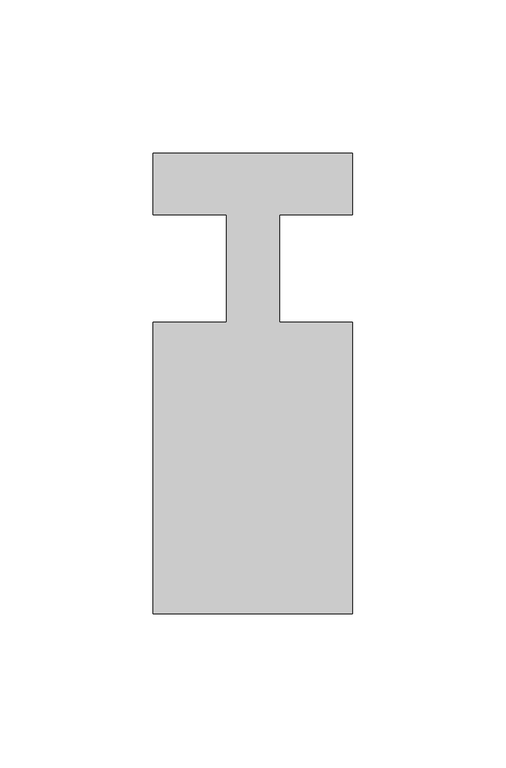
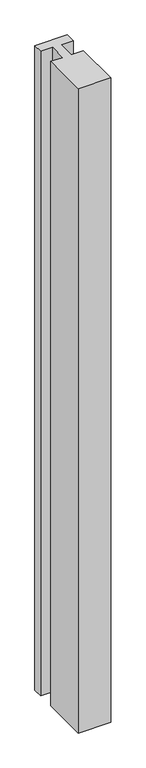
"""IFC4 building model written with IfcOpenShell, lengths in millimetres: member geometry."""

from ifc_helpers import new_model, si_unit, frame, origin, place, context, project, spatial, polyline, outline, extrude, source, transform, mapped, element, save


def member_7e266555(model_context):
    return source(origin(), model_context, "Body", "SweptSolid", [
        extrude(outline(polyline([(-65.0, 37.0), (0.0, 37.0), (0.0, 17.0), (-23.8125, 17.0), (-23.8125, -18.0), (0.0, -18.0), (0.0, -113.0), (-65.0, -113.0), (-65.0, -18.0), (-41.1875, -18.0), (-41.1875, 17.0), (-65.0, 17.0), (-65.0, 37.0)])), frame((0.0, 0.0, -1361.1875), z_axis=(0.0, 0.0, 1.0), x_axis=(1.0, 0.0, 0.0)), (0.0, 0.0, 1.0), 1361.1875),
    ])


if __name__ == "__main__":
    model = new_model("IFC4")
    model_context = context("Model", 3, world=origin())
    ifc_project = project(units=[si_unit("LENGTHUNIT", "METRE", prefix="MILLI")], contexts=[model_context])
    site = spatial("IfcSite", under=ifc_project)
    building = spatial("IfcBuilding", under=site)
    placement = place(None, origin())
    member_shape = member_7e266555(model_context)
    element("IfcMember", 1, at=placement, inside=building, context=model_context, shape_type="MappedRepresentation", body=[
        mapped(member_shape, transform((0.0, 0.0, 0.0), x_axis=(1.0, 0.0, 0.0), y_axis=(0.0, 1.0, 0.0), z_axis=(0.0, 0.0, 1.0))),
    ])
    save(model, "model.ifc")
